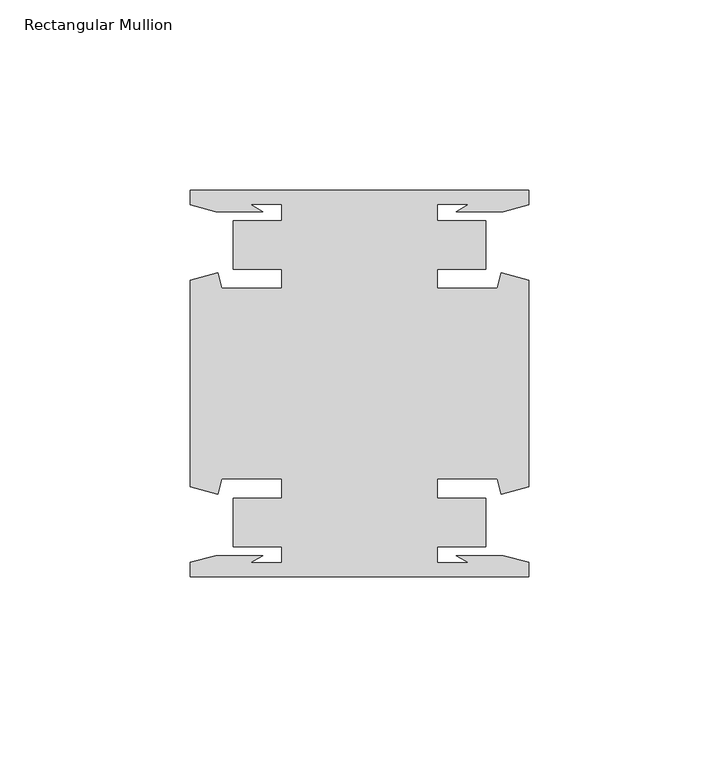
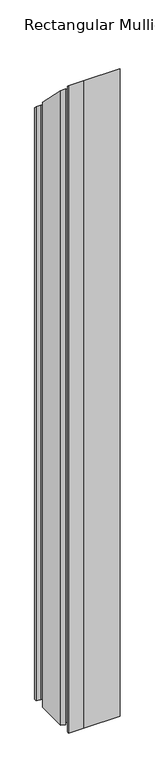
"""IFC4 building model written with IfcOpenShell, lengths in millimetres: member geometry, Rectangular Mullion."""

from ifc_helpers import new_model, si_unit, origin, place, context, project, spatial, faceted_brep, source, transform, mapped, element, save


def rectangular_mullion_644c572b(model_context):
    return source(origin(), model_context, "Body", "Brep", [
        faceted_brep([(44.45, 50.7954622, -1132.6564481), (44.45, 46.9998463, -1132.6564481), (37.7613002, 45.2076146, -1132.6564481), (25.4334869, 45.2076146, -1132.6564481), (28.7505662, 47.1227313, -1132.6564481), (20.4638425, 47.1227313, -1132.6564481), (20.4638425, 42.8128906, -1132.6564481), (33.1638425, 42.8128906, -1132.6564481), (33.1638425, 30.1128906, -1132.6564481), (20.4638425, 30.1128906, -1132.6564481), (20.4638425, 25.0120132, -1132.6564481), (36.1594033, 25.0120132, -1132.6564481), (37.2517212, 29.0885993, -1132.6564481), (44.45, 27.1598263, -1132.6564481), (44.45, -27.1598263, -1132.6564481), (37.2517212, -29.0885993, -1132.6564481), (36.1594033, -25.0120132, -1132.6564481), (20.4638425, -25.0120132, -1132.6564481), (20.4638425, -30.1128906, -1132.6564481), (33.1638425, -30.1128906, -1132.6564481), (33.1638425, -42.8128906, -1132.6564481), (20.4638425, -42.8128906, -1132.6564481), (20.4638425, -47.1227313, -1132.6564481), (28.7505662, -47.1227313, -1132.6564481), (25.4334869, -45.2076146, -1132.6564481), (37.7613002, -45.2076146, -1132.6564481), (44.45, -46.9998463, -1132.6564481), (44.45, -50.7954622, -1132.6564481), (-19.05, -50.7954622, -1132.6564481), (-44.45, -50.7954622, -1132.6564481), (-44.45, -46.9998463, -1132.6564481), (-37.7613002, -45.2076146, -1132.6564481), (-25.4334869, -45.2076146, -1132.6564481), (-28.7505662, -47.1227313, -1132.6564481), (-20.4638425, -47.1227313, -1132.6564481), (-20.4638425, -42.8128906, -1132.6564481), (-33.1638425, -42.8128906, -1132.6564481), (-33.1638425, -30.1128906, -1132.6564481), (-20.4638425, -30.1128906, -1132.6564481), (-20.4638425, -25.0120132, -1132.6564481), (-36.1594033, -25.0120132, -1132.6564481), (-37.2517212, -29.0885993, -1132.6564481), (-44.45, -27.1598263, -1132.6564481), (-44.45, 27.1598263, -1132.6564481), (-37.2517212, 29.0885993, -1132.6564481), (-36.1594033, 25.0120132, -1132.6564481), (-20.4638425, 25.0120132, -1132.6564481), (-20.4638425, 30.1128906, -1132.6564481), (-33.1638425, 30.1128906, -1132.6564481), (-33.1638425, 42.8128906, -1132.6564481), (-20.4638425, 42.8128906, -1132.6564481), (-20.4638425, 47.1227313, -1132.6564481), (-28.7505662, 47.1227313, -1132.6564481), (-25.4334869, 45.2076146, -1132.6564481), (-37.7613002, 45.2076146, -1132.6564481), (-44.45, 46.9998463, -1132.6564481), (-44.45, 50.7954622, -1132.6564481), (-19.05, 50.7954622, -1132.6564481), (-19.05, 50.7954622, -50.7954622), (44.45, 50.7954622, -50.7954622), (-44.45, 50.7954622, -50.7954622), (-44.45, 46.9998463, -46.9998463), (-37.7613002, 45.2076146, -45.2076146), (-25.4334869, 45.2076146, -45.2076146), (-28.7505662, 47.1227313, -47.1227313), (-20.4638425, 47.1227313, -47.1227313), (-20.4638425, 42.8128906, -42.8128906), (-33.1638425, 42.8128906, -42.8128906), (-33.1638425, 30.1128906, -30.1128906), (-20.4638425, 30.1128906, -30.1128906), (-20.4638425, 25.0120132, -25.0120132), (-36.1594033, 25.0120132, -25.0120132), (-37.2517212, 29.0885993, -29.0885993), (-44.45, 27.1598263, -27.1598263), (-44.45, -27.1598263, 27.1598263), (-37.2517212, -29.0885993, 29.0885993), (-36.1594033, -25.0120132, 25.0120132), (-20.4638425, -25.0120132, 25.0120132), (-20.4638425, -30.1128906, 30.1128906), (-33.1638425, -30.1128906, 30.1128906), (-33.1638425, -42.8128906, 42.8128906), (-20.4638425, -42.8128906, 42.8128906), (-20.4638425, -47.1227313, 47.1227313), (-28.7505662, -47.1227313, 47.1227313), (-25.4334869, -45.2076146, 45.2076146), (-37.7613002, -45.2076146, 45.2076146), (-44.45, -46.9998463, 46.9998463), (-44.45, -50.7954622, 50.7954622), (-19.05, -50.7954622, 50.7954622), (44.45, -50.7954622, 50.7954622), (44.45, -46.9998463, 46.9998463), (37.7613002, -45.2076146, 45.2076146), (25.4334869, -45.2076146, 45.2076146), (28.7505662, -47.1227313, 47.1227313), (20.4638425, -47.1227313, 47.1227313), (20.4638425, -42.8128906, 42.8128906), (33.1638425, -42.8128906, 42.8128906), (33.1638425, -30.1128906, 30.1128906), (20.4638425, -30.1128906, 30.1128906), (20.4638425, -25.0120132, 25.0120132), (36.1594033, -25.0120132, 25.0120132), (37.2517212, -29.0885993, 29.0885993), (44.45, -27.1598263, 27.1598263), (44.45, 27.1598263, -27.1598263), (37.2517212, 29.0885993, -29.0885993), (36.1594033, 25.0120132, -25.0120132), (20.4638425, 25.0120132, -25.0120132), (20.4638425, 30.1128906, -30.1128906), (33.1638425, 30.1128906, -30.1128906), (33.1638425, 42.8128906, -42.8128906), (20.4638425, 42.8128906, -42.8128906), (20.4638425, 47.1227313, -47.1227313), (28.7505662, 47.1227313, -47.1227313), (25.4334869, 45.2076146, -45.2076146), (37.7613002, 45.2076146, -45.2076146), (44.45, 46.9998463, -46.9998463)], [[[0, 1, 2, 3, 4, 5, 6, 7, 8, 9, 10, 11, 12, 13, 14, 15, 16, 17, 18, 19, 20, 21, 22, 23, 24, 25, 26, 27, 28, 29, 30, 31, 32, 33, 34, 35, 36, 37, 38, 39, 40, 41, 42, 43, 44, 45, 46, 47, 48, 49, 50, 51, 52, 53, 54, 55, 56, 57]], [[58, 59, 0, 57]], [[60, 58, 57, 56]], [[61, 60, 56, 55]], [[62, 61, 55, 54]], [[63, 62, 54, 53]], [[64, 63, 53, 52]], [[65, 64, 52, 51]], [[66, 65, 51, 50]], [[67, 66, 50, 49]], [[68, 67, 49, 48]], [[69, 68, 48, 47]], [[70, 69, 47, 46]], [[71, 70, 46, 45]], [[72, 71, 45, 44]], [[73, 72, 44, 43]], [[74, 73, 43, 42]], [[75, 74, 42, 41]], [[76, 75, 41, 40]], [[77, 76, 40, 39]], [[78, 77, 39, 38]], [[79, 78, 38, 37]], [[80, 79, 37, 36]], [[81, 80, 36, 35]], [[82, 81, 35, 34]], [[83, 82, 34, 33]], [[84, 83, 33, 32]], [[85, 84, 32, 31]], [[86, 85, 31, 30]], [[87, 86, 30, 29]], [[88, 87, 29, 28]], [[89, 88, 28, 27]], [[90, 89, 27, 26]], [[91, 90, 26, 25]], [[92, 91, 25, 24]], [[93, 92, 24, 23]], [[94, 93, 23, 22]], [[95, 94, 22, 21]], [[96, 95, 21, 20]], [[97, 96, 20, 19]], [[98, 97, 19, 18]], [[99, 98, 18, 17]], [[100, 99, 17, 16]], [[101, 100, 16, 15]], [[102, 101, 15, 14]], [[103, 102, 14, 13]], [[104, 103, 13, 12]], [[105, 104, 12, 11]], [[106, 105, 11, 10]], [[107, 106, 10, 9]], [[108, 107, 9, 8]], [[109, 108, 8, 7]], [[110, 109, 7, 6]], [[111, 110, 6, 5]], [[112, 111, 5, 4]], [[113, 112, 4, 3]], [[114, 113, 3, 2]], [[115, 114, 2, 1]], [[59, 115, 1, 0]], [[59, 58, 60, 61, 62, 63, 64, 65, 66, 67, 68, 69, 70, 71, 72, 73, 74, 75, 76, 77, 78, 79, 80, 81, 82, 83, 84, 85, 86, 87, 88, 89, 90, 91, 92, 93, 94, 95, 96, 97, 98, 99, 100, 101, 102, 103, 104, 105, 106, 107, 108, 109, 110, 111, 112, 113, 114, 115]]]),
    ])


if __name__ == "__main__":
    model = new_model("IFC4")
    model_context = context("Model", 3, world=origin())
    ifc_project = project(units=[si_unit("LENGTHUNIT", "METRE", prefix="MILLI")], contexts=[model_context])
    site = spatial("IfcSite", under=ifc_project)
    building = spatial("IfcBuilding", under=site)
    placement = place(None, origin())
    rectangular_mullion_shape = rectangular_mullion_644c572b(model_context)
    element("IfcMember", 1, ObjectType="Rectangular Mullion", at=placement, inside=building, context=model_context, shape_type="MappedRepresentation", body=[
        mapped(rectangular_mullion_shape, transform((0.0, 0.0, 0.0), x_axis=(1.0, 0.0, 0.0), y_axis=(0.0, 1.0, 0.0), z_axis=(0.0, 0.0, 1.0))),
    ])
    save(model, "model.ifc")
